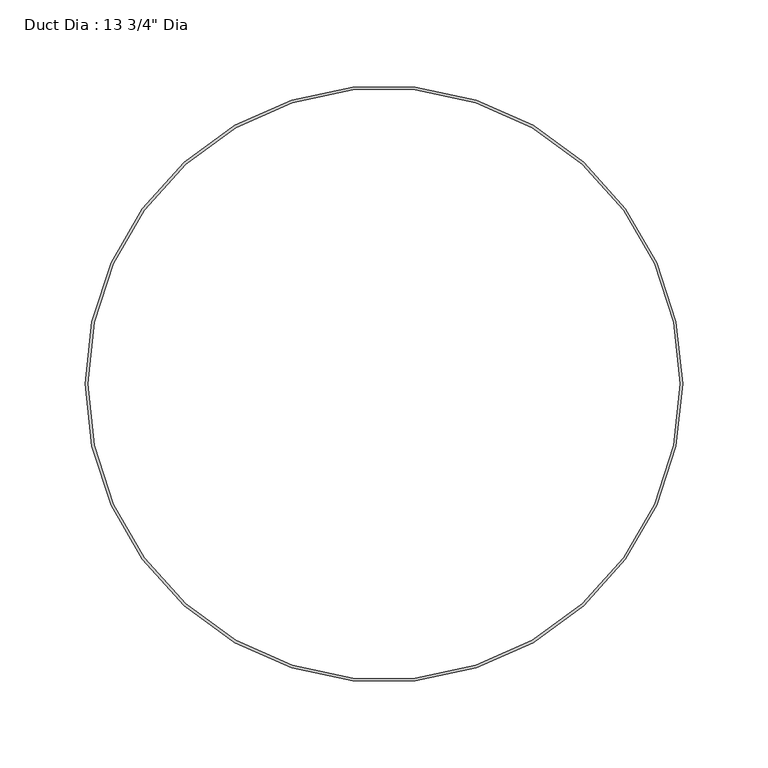
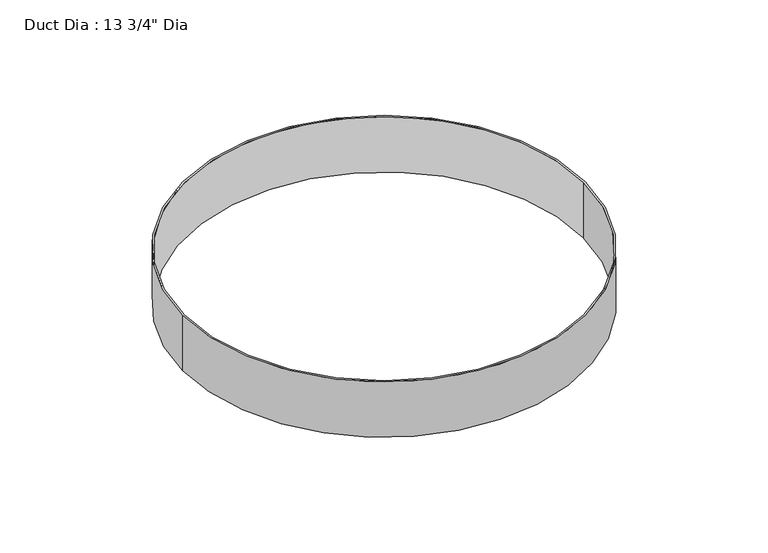
"""IFC4 building model written with IfcOpenShell, lengths in millimetres: proxy geometry."""

from ifc_helpers import new_model, si_unit, point, origin, origin_with_axes, origin_2d, place, context, project, spatial, circle_curve, trimmed, segment, composite_curve, outline, extrude, source, transform, mapped, element, save


def proxy_b023a81e(model_context):
    return source(origin(), model_context, "Body", "SweptSolid", [
        extrude(outline(composite_curve([segment(trimmed(circle_curve(origin_2d(), 174.625), [point((-174.625, 0.0))], [point((174.625, 0.0))], False, "CARTESIAN"), True, "CONTINUOUS"), segment(trimmed(circle_curve(origin_2d(), 174.625), [point((174.625, 0.0))], [point((-174.625, 0.0))], False, "CARTESIAN"), True, "CONTINUOUS")], self_intersect=False), holes=[composite_curve([segment(trimmed(circle_curve(origin_2d(), 173.0375), [point((-173.0375, 0.0))], [point((173.0375, 0.0))], True, "CARTESIAN"), True, "CONTINUOUS"), segment(trimmed(circle_curve(origin_2d(), 173.0375), [point((173.0375, 0.0))], [point((-173.0375, 0.0))], True, "CARTESIAN"), True, "CONTINUOUS")], self_intersect=False)]), origin_with_axes(), (0.0, 0.0, 1.0), 50.8),
    ])


if __name__ == "__main__":
    model = new_model("IFC4")
    model_context = context("Model", 3, world=origin())
    ifc_project = project(units=[si_unit("LENGTHUNIT", "METRE", prefix="MILLI")], contexts=[model_context])
    site = spatial("IfcSite", under=ifc_project)
    building = spatial("IfcBuilding", under=site)
    placement = place(None, origin())
    proxy_shape = proxy_b023a81e(model_context)
    element("IfcBuildingElementProxy", 1, Name="Duct Dia : 13 3/4\" Dia", ObjectType="Duct Dia : 13 3/4\" Dia", at=placement, inside=building, context=model_context, shape_type="MappedRepresentation", body=[
        mapped(proxy_shape, transform((0.0, 0.0, 0.0), x_axis=(1.0, 0.0, 0.0), y_axis=(0.0, 1.0, 0.0), z_axis=(0.0, 0.0, 1.0))),
    ])
    save(model, "model.ifc")
